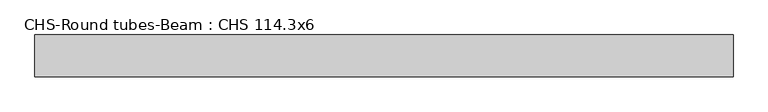
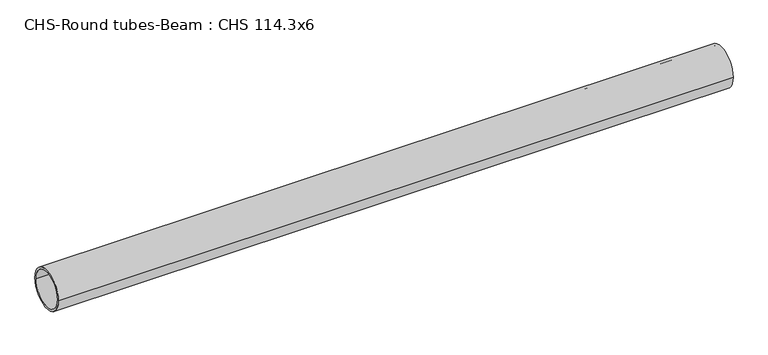
"""IFC4 building model written with IfcOpenShell, lengths in millimetres: beam geometry, CHS-Round tubes-Beam : CHS 114.3x6."""

from ifc_helpers import new_model, si_unit, point, frame, origin, origin_2d, place, context, project, spatial, circle_curve, trimmed, segment, composite_curve, outline, extrude, source, transform, mapped, element, save


def chs_round_tubes_beam_chs_114_3x6_8b1ec2d9(model_context):
    return source(origin(), model_context, "Body", "SweptSolid", [
        extrude(outline(composite_curve([segment(trimmed(circle_curve(origin_2d(), 57.15), [point((57.15, 0.0))], [point((-57.15, 0.0))], False, "CARTESIAN"), True, "CONTINUOUS"), segment(trimmed(circle_curve(origin_2d(), 57.15), [point((-57.15, 0.0))], [point((57.15, 0.0))], False, "CARTESIAN"), True, "CONTINUOUS")], self_intersect=False), holes=[composite_curve([segment(trimmed(circle_curve(origin_2d(), 51.15), [point((51.15, 0.0))], [point((-51.15, 0.0))], True, "CARTESIAN"), True, "CONTINUOUS"), segment(trimmed(circle_curve(origin_2d(), 51.15), [point((-51.15, 0.0))], [point((51.15, 0.0))], True, "CARTESIAN"), True, "CONTINUOUS")], self_intersect=False)]), frame((-953.4940248, 0.0, 0.0), z_axis=(1.0, 0.0, 0.0), x_axis=(0.0, 1.0, 0.0)), (0.0, 0.0, 1.0), 1900.8262894),
    ])


if __name__ == "__main__":
    model = new_model("IFC4")
    model_context = context("Model", 3, world=origin())
    ifc_project = project(units=[si_unit("LENGTHUNIT", "METRE", prefix="MILLI")], contexts=[model_context])
    site = spatial("IfcSite", under=ifc_project)
    building = spatial("IfcBuilding", under=site)
    placement = place(None, origin())
    chs_round_tubes_beam_chs_114_3x6_shape = chs_round_tubes_beam_chs_114_3x6_8b1ec2d9(model_context)
    element("IfcBeam", 1, ObjectType="CHS-Round tubes-Beam : CHS 114.3x6", at=placement, inside=building, context=model_context, shape_type="MappedRepresentation", body=[
        mapped(chs_round_tubes_beam_chs_114_3x6_shape, transform((0.0, 0.0, 0.0), x_axis=(1.0, 0.0, 0.0), y_axis=(0.0, 1.0, 0.0), z_axis=(0.0, 0.0, 1.0))),
    ])
    save(model, "model.ifc")
